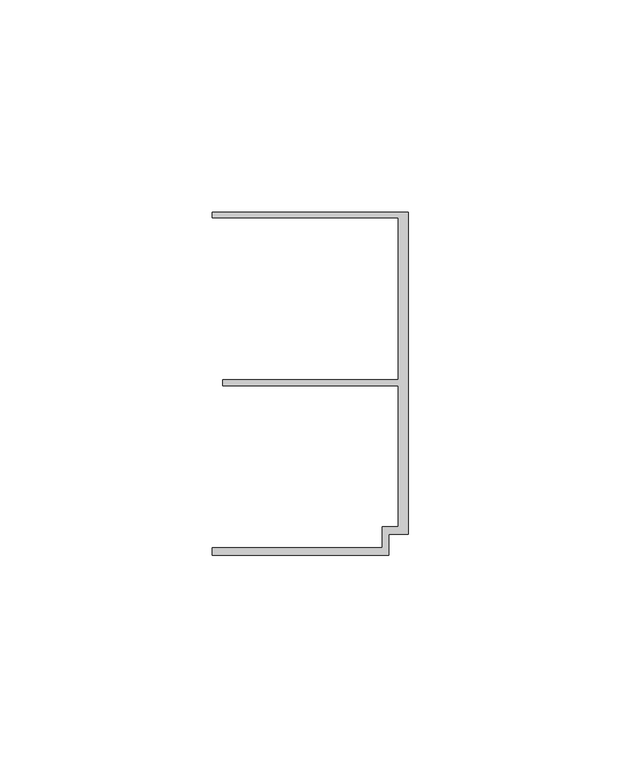
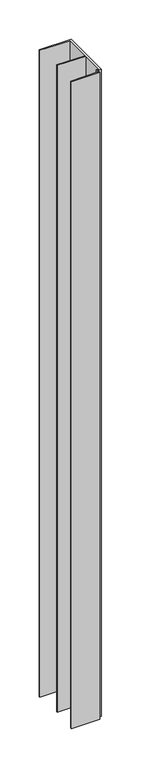
"""IFC4 building model written with IfcOpenShell, lengths in millimetres: member geometry."""

from ifc_helpers import new_model, si_unit, frame, origin, place, context, project, spatial, polyline, outline, extrude, source, transform, mapped, element, save


def member_8674bd61(model_context):
    return source(origin(), model_context, "Body", "SweptSolid", [
        extrude(outline(polyline([(-6.2, -33.95), (-2.4, -33.95), (-2.4, -0.75), (-43.8, -0.75), (-43.8, 0.75), (-2.4, 0.75), (-2.4, 38.95), (-46.3, 38.95), (-46.3, 40.25), (0.0, 40.25), (0.0, -35.75), (-4.6999992, -35.75), (-4.6999992, -40.65), (-46.3, -40.65), (-46.3, -38.95), (-6.2, -38.95), (-6.2, -33.95)])), frame((0.0, 0.0, -1000.0), z_axis=(0.0, 0.0, 1.0), x_axis=(1.0, 0.0, 0.0)), (0.0, 0.0, 1.0), 1000.0),
    ])


if __name__ == "__main__":
    model = new_model("IFC4")
    model_context = context("Model", 3, world=origin())
    ifc_project = project(units=[si_unit("LENGTHUNIT", "METRE", prefix="MILLI")], contexts=[model_context])
    site = spatial("IfcSite", under=ifc_project)
    building = spatial("IfcBuilding", under=site)
    placement = place(None, origin())
    member_shape = member_8674bd61(model_context)
    element("IfcMember", 1, at=placement, inside=building, context=model_context, shape_type="MappedRepresentation", body=[
        mapped(member_shape, transform((0.0, 0.0, 0.0), x_axis=(1.0, 0.0, 0.0), y_axis=(0.0, 1.0, 0.0), z_axis=(0.0, 0.0, 1.0))),
    ])
    save(model, "model.ifc")
